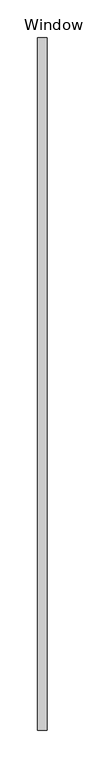
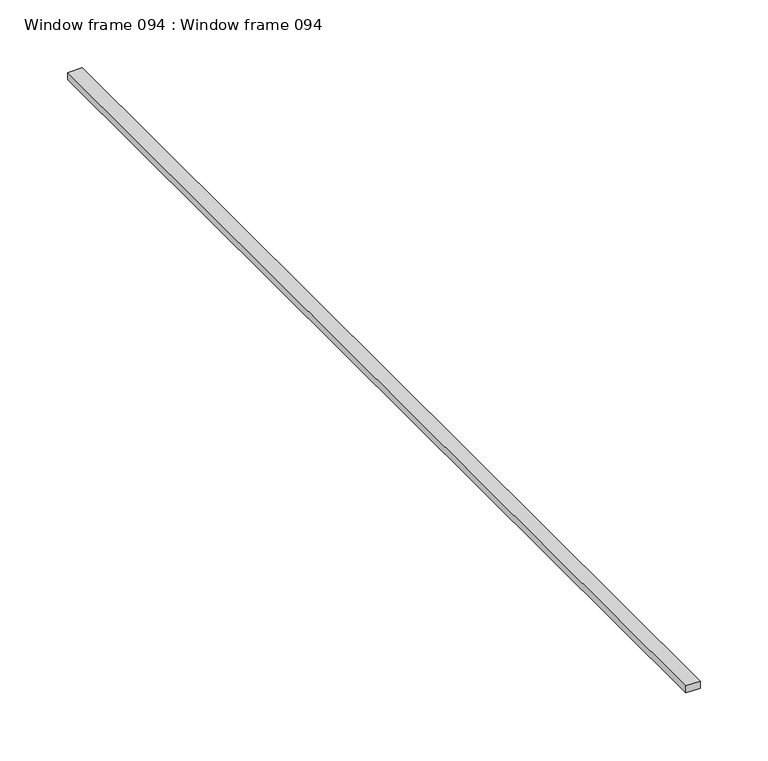
"""IFC4 building model written with IfcOpenShell, lengths in millimetres: proxy geometry, Window frame 094 : Window frame 094."""

from ifc_helpers import new_model, si_unit, frame, origin, place, context, project, spatial, polyline, outline, extrude, source, transform, mapped, element, save


def window_frame_094_window_frame_094_fe0fefcc(model_context):
    return source(origin(), model_context, "Body", "SweptSolid", [
        extrude(outline(polyline([(37605.6902244, -19576.8264268), (37592.9902244, -19576.8264268), (37592.9902244, -18662.4264268), (37605.6902244, -18662.4264268), (37605.6902244, -19576.8264268)])), frame((0.0, 0.0, 1377.9246), z_axis=(0.0, 0.0, 1.0), x_axis=(1.0, 0.0, 0.0)), (0.0, 0.0, 1.0), 6.35),
    ])


if __name__ == "__main__":
    model = new_model("IFC4")
    model_context = context("Model", 3, world=origin())
    ifc_project = project(units=[si_unit("LENGTHUNIT", "METRE", prefix="MILLI")], contexts=[model_context])
    site = spatial("IfcSite", under=ifc_project)
    building = spatial("IfcBuilding", under=site)
    placement = place(None, origin())
    window_frame_094_window_frame_094_shape = window_frame_094_window_frame_094_fe0fefcc(model_context)
    element("IfcBuildingElementProxy", 1, Name="Window frame 094 : Window frame 094", ObjectType="Window frame 094 : Window frame 094", at=placement, inside=building, context=model_context, shape_type="MappedRepresentation", body=[
        mapped(window_frame_094_window_frame_094_shape, transform((0.0, 0.0, 0.0), x_axis=(1.0, 0.0, 0.0), y_axis=(0.0, 1.0, 0.0), z_axis=(0.0, 0.0, 1.0))),
    ])
    save(model, "model.ifc")
